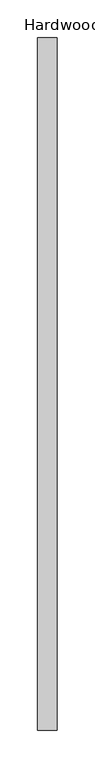
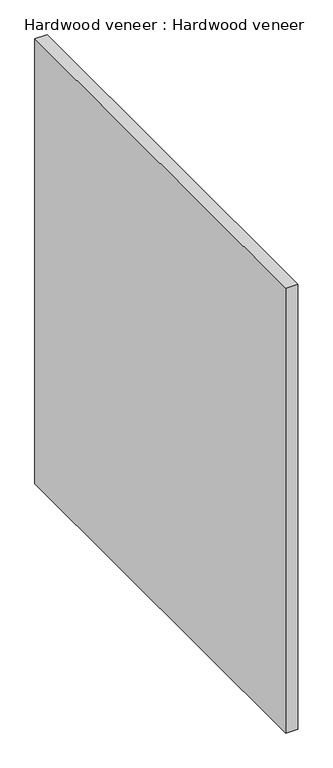
"""IFC4 building model written with IfcOpenShell, lengths in millimetres: proxy geometry, Hardwood veneer : Hardwood veneer."""

import ifcopenshell
import ifcopenshell.guid

model = None  # the IFC model being written
_history = None  # IfcOwnerHistory: only IFC2X3 demands one
_inside = {}  # id of a spatial element -> (the spatial element, [elements in it])
_under = {}  # id of a project, library or spatial element -> (it, [spatial elements below it])
_declared = {}  # id of a project -> (the project, [libraries it declares])
_typed = {}  # id of a type object -> (the type object, [elements of that type])
_made_of = {}  # id of a material, layer set ... -> (it, [elements and type objects made of it])


def new_model(schema):
    """Start an empty IFC model of exactly this schema.

    Asked for "IFC4X3", IfcOpenShell would pick the latest addendum, in which some entities
    have other attributes; the version numbers below select the first issue.
    IFC2X3 requires an IfcOwnerHistory on every rooted entity: one is made here for all.
    """
    global model, _history
    if schema == "IFC4X3":
        model = ifcopenshell.file(schema_version=(4, 3, 0, 0))
    else:
        model = ifcopenshell.file(schema=schema)
    _inside.clear()
    _under.clear()
    _declared.clear()
    _typed.clear()
    _made_of.clear()
    _history = None
    if model.schema == "IFC2X3":
        org = make("IfcOrganization", Name="unknown")
        user = make(
            "IfcPersonAndOrganization",
            ThePerson=make("IfcPerson", FamilyName="unknown"),
            TheOrganization=org,
        )
        app = make(
            "IfcApplication",
            ApplicationDeveloper=org,
            Version="unknown",
            ApplicationFullName="unknown",
            ApplicationIdentifier="unknown",
        )
        _history = make(
            "IfcOwnerHistory",
            OwningUser=user,
            OwningApplication=app,
            ChangeAction="ADDED",
            CreationDate=0,
        )
    return model


def make(cls, **values):
    """One entity of the class cls with the attributes given. An attribute that is None is left unset."""
    return model.create_entity(
        cls, **{name: value for name, value in values.items() if value is not None}
    )


def rooted(cls, **values):
    """An entity with a GlobalId (a new one), such as an element, a storey or a relation."""
    return make(cls, GlobalId=ifcopenshell.guid.new(), OwnerHistory=_history, **values)


def si_unit(unit_type, name, prefix=None):
    """IfcSIUnit, for example si_unit("LENGTHUNIT", "METRE", prefix="MILLI")."""
    return make("IfcSIUnit", UnitType=unit_type, Prefix=prefix, Name=name)


def assignment(units):
    """IfcUnitAssignment: the units of a project."""
    return None if units is None else make("IfcUnitAssignment", Units=units)


def point(xyz):
    """IfcCartesianPoint."""
    return None if xyz is None else make("IfcCartesianPoint", Coordinates=xyz)


def direction(xyz):
    """IfcDirection."""
    return None if xyz is None else make("IfcDirection", DirectionRatios=xyz)


def frame(location, z_axis=None, x_axis=None):
    """IfcAxis2Placement3D, a coordinate frame: its origin and axes. An axis left out is left unset."""
    return make(
        "IfcAxis2Placement3D",
        Location=point(location),
        Axis=direction(z_axis),
        RefDirection=direction(x_axis),
    )


def origin():
    """The frame at (0, 0, 0) with its axes left unset."""
    return frame((0.0, 0.0, 0.0))


def place(relative_to, where):
    """IfcLocalPlacement: puts the frame where relative to a parent placement (None: the world)."""
    return make(
        "IfcLocalPlacement", PlacementRelTo=relative_to, RelativePlacement=where
    )


def context(
    kind, dimensions, precision=None, world=None, true_north=None, identifier=None
):
    """IfcGeometricRepresentationContext, for example the 3D "Model" context."""
    return make(
        "IfcGeometricRepresentationContext",
        ContextIdentifier=identifier,
        ContextType=kind,
        CoordinateSpaceDimension=dimensions,
        Precision=precision,
        WorldCoordinateSystem=world,
        TrueNorth=true_north,
    )


def project(units=None, contexts=None):
    """IfcProject with its units and contexts."""
    return rooted(
        "IfcProject",
        Name="project",
        RepresentationContexts=contexts,
        UnitsInContext=assignment(units),
    )


def spatial(cls, under=None, at=None, **own):
    """A site, building, storey or space (cls), placed at a placement, below another one or the project."""
    s = rooted(cls, ObjectPlacement=at, **own)
    if under is not None:
        _under.setdefault(under.id(), (under, []))[1].append(s)
    return s


def polyline(points):
    """IfcPolyline through the points."""
    return make("IfcPolyline", Points=[point(p) for p in points])


def outline(outer, holes=None, kind="AREA"):
    """IfcArbitraryClosedProfileDef: a profile drawn as a closed curve; with holes, ...WithVoids."""
    if holes is None:
        return make("IfcArbitraryClosedProfileDef", ProfileType=kind, OuterCurve=outer)
    return make(
        "IfcArbitraryProfileDefWithVoids",
        ProfileType=kind,
        OuterCurve=outer,
        InnerCurves=holes,
    )


def extrude(swept, where, along, depth):
    """IfcExtrudedAreaSolid: the profile swept, set in the frame where, extruded along a direction by depth."""
    return make(
        "IfcExtrudedAreaSolid",
        SweptArea=swept,
        Position=where,
        ExtrudedDirection=direction(along),
        Depth=depth,
    )


def shape(context_of_items, identifier, shape_type, items):
    """IfcShapeRepresentation: the items that make up one representation, for example the "Body"."""
    return make(
        "IfcShapeRepresentation",
        ContextOfItems=context_of_items,
        RepresentationIdentifier=identifier,
        RepresentationType=shape_type,
        Items=items,
    )


def source(mapping_origin, context_of_items, identifier, shape_type, items):
    """IfcRepresentationMap: a shape defined once, which mapped items show again and again."""
    return make(
        "IfcRepresentationMap",
        MappingOrigin=mapping_origin,
        MappedRepresentation=shape(context_of_items, identifier, shape_type, items),
    )


def transform(
    local_origin,
    x_axis=None,
    y_axis=None,
    z_axis=None,
    scale=None,
    scale2=None,
    scale3=None,
    uniform=True,
):
    """IfcCartesianTransformationOperator3D, or its non-uniform kind. x_axis, y_axis, z_axis: its Axis1, 2, 3."""
    if uniform:
        return make(
            "IfcCartesianTransformationOperator3D",
            Axis1=direction(x_axis),
            Axis2=direction(y_axis),
            LocalOrigin=point(local_origin),
            Scale=scale,
            Axis3=direction(z_axis),
        )
    return make(
        "IfcCartesianTransformationOperator3DnonUniform",
        Axis1=direction(x_axis),
        Axis2=direction(y_axis),
        LocalOrigin=point(local_origin),
        Scale=scale,
        Axis3=direction(z_axis),
        Scale2=scale2,
        Scale3=scale3,
    )


def mapped(mapping_source, mapping_target):
    """IfcMappedItem: shows the shape of a source again, moved by a transform."""
    return make(
        "IfcMappedItem", MappingSource=mapping_source, MappingTarget=mapping_target
    )


def made_of(thing, what):
    """Note that an element or type object is made of a material, layer set ...; save() writes the relation."""
    if what is not None:
        _made_of.setdefault(what.id(), (what, []))[1].append(thing)
    return thing


def element(
    cls,
    number,
    at=None,
    inside=None,
    cuts=None,
    type_object=None,
    material=None,
    context=None,
    identifier="Body",
    shape_type=None,
    held_by="IfcProductDefinitionShape",
    body=None,
    shapes=None,
    **own,
):
    """One element of the class cls, such as IfcWall. Its Tag is "e" and its number.

    at: its placement. inside: the storey or other place that contains it. cuts: it is an
    opening in that element (IfcRelVoidsElement). A single representation is given by context,
    identifier, shape_type and body (its items); several are given by shapes. held_by: the class
    of the entity that holds the representations. save() writes the other relations.
    """
    e = rooted(cls, Tag="e%d" % number, ObjectPlacement=at, **own)
    if body is not None:
        shapes = [shape(context, identifier, shape_type, body)]
    if shapes is not None:
        e.Representation = make(held_by, Representations=shapes)
    if inside is not None:
        _inside.setdefault(inside.id(), (inside, []))[1].append(e)
    if cuts is not None:
        rooted(
            "IfcRelVoidsElement", RelatingBuildingElement=cuts, RelatedOpeningElement=e
        )
    if type_object is not None:
        _typed.setdefault(type_object.id(), (type_object, []))[1].append(e)
    return made_of(e, material)


def aggregate(whole, parts):
    """IfcRelAggregates: a whole, such as a stair, and the parts it consists of."""
    return rooted("IfcRelAggregates", RelatingObject=whole, RelatedObjects=parts)


def save(model, path):
    """Write the relations noted so far, then the file.

    IfcRelAggregates (storeys below a building ...), IfcRelContainedInSpatialStructure (elements
    in a storey), IfcRelDefinesByType, IfcRelAssociatesMaterial and IfcRelDeclares: one each for
    every whole, place, type object, material and project.
    """
    for whole, parts in _under.values():
        aggregate(whole, parts)
    for where, things in _inside.values():
        rooted(
            "IfcRelContainedInSpatialStructure",
            RelatedElements=things,
            RelatingStructure=where,
        )
    for kind, things in _typed.values():
        rooted("IfcRelDefinesByType", RelatedObjects=things, RelatingType=kind)
    for what, things in _made_of.values():
        rooted("IfcRelAssociatesMaterial", RelatedObjects=things, RelatingMaterial=what)
    for by, libraries in _declared.values():
        rooted("IfcRelDeclares", RelatingContext=by, RelatedDefinitions=libraries)
    model.write(path)


def hardwood_veneer_hardwood_veneer_a1cfef5e(model_context):
    return source(origin(), model_context, "Body", "SweptSolid", [
        extrude(outline(polyline([(37180.015625, -18662.4264268), (37205.8513666, -18662.4264268), (37205.8513666, -19576.8264268), (37180.015625, -19576.8264268), (37180.015625, -18662.4264268)])), frame((0.0, 0.0, 330.1298123), z_axis=(0.0, 0.0, 1.0), x_axis=(1.0, 0.0, 0.0)), (0.0, 0.0, 1.0), 990.6),
    ])


if __name__ == "__main__":
    model = new_model("IFC4")
    model_context = context("Model", 3, world=origin())
    ifc_project = project(units=[si_unit("LENGTHUNIT", "METRE", prefix="MILLI")], contexts=[model_context])
    site = spatial("IfcSite", under=ifc_project)
    building = spatial("IfcBuilding", under=site)
    placement = place(None, origin())
    hardwood_veneer_hardwood_veneer_shape = hardwood_veneer_hardwood_veneer_a1cfef5e(model_context)
    element("IfcBuildingElementProxy", 1, Name="Hardwood veneer : Hardwood veneer", ObjectType="Hardwood veneer : Hardwood veneer", at=placement, inside=building, context=model_context, shape_type="MappedRepresentation", body=[
        mapped(hardwood_veneer_hardwood_veneer_shape, transform((0.0, 0.0, 0.0), x_axis=(1.0, 0.0, 0.0), y_axis=(0.0, 1.0, 0.0), z_axis=(0.0, 0.0, 1.0))),
    ])
    save(model, "model.ifc")
